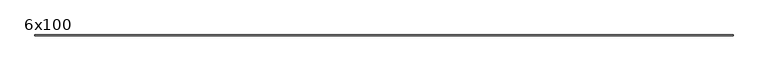
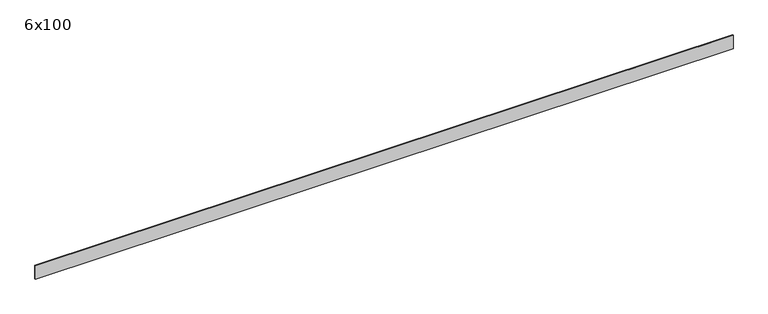
"""IFC4 building model written with IfcOpenShell, lengths in millimetres: beam geometry, 6x100."""

from ifc_helpers import new_model, si_unit, frame, origin, place, context, project, spatial, polyline, outline, extrude, source, transform, mapped, element, save


def beam_6x100_b2bd5e94(model_context):
    return source(origin(), model_context, "Body", "SweptSolid", [
        extrude(outline(polyline([(2421.0471109, 3.0), (2421.0471109, -3.0), (-2601.3246747, -3.0), (-2601.3246747, 3.0), (2421.0471109, 3.0)])), frame((0.0, 0.0, -50.0), z_axis=(0.0, 0.0, 1.0), x_axis=(1.0, 0.0, 0.0)), (0.0, 0.0, 1.0), 100.0),
    ])


if __name__ == "__main__":
    model = new_model("IFC4")
    model_context = context("Model", 3, world=origin())
    ifc_project = project(units=[si_unit("LENGTHUNIT", "METRE", prefix="MILLI")], contexts=[model_context])
    site = spatial("IfcSite", under=ifc_project)
    building = spatial("IfcBuilding", under=site)
    placement = place(None, origin())
    beam_6x100_shape = beam_6x100_b2bd5e94(model_context)
    element("IfcBeam", 1, ObjectType="6x100", at=placement, inside=building, context=model_context, shape_type="MappedRepresentation", body=[
        mapped(beam_6x100_shape, transform((0.0, 0.0, 0.0), x_axis=(1.0, 0.0, 0.0), y_axis=(0.0, 1.0, 0.0), z_axis=(0.0, 0.0, 1.0))),
    ])
    save(model, "model.ifc")
